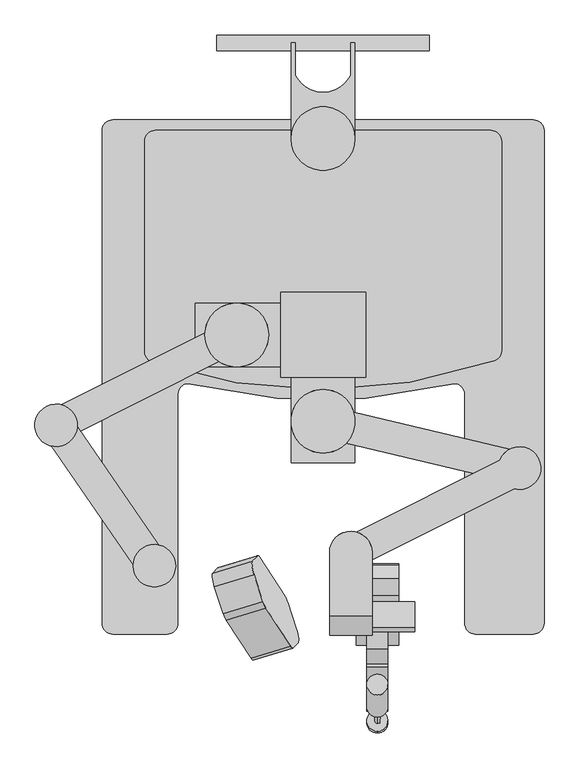
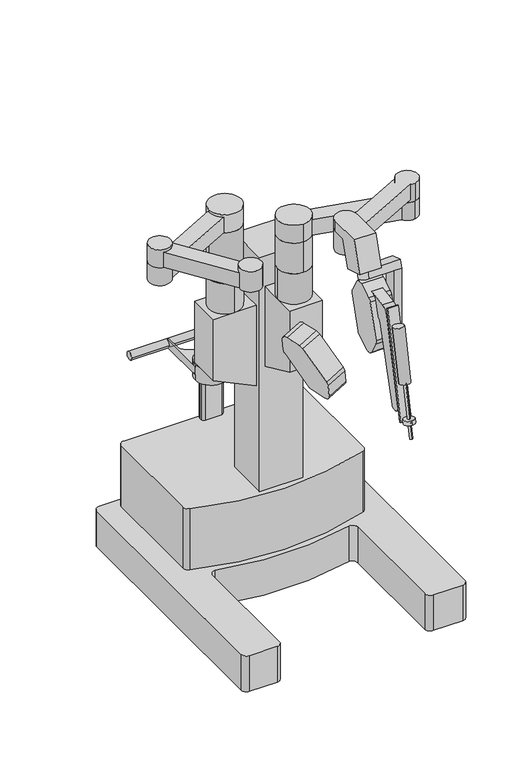
"""IFC4 building model written with IfcOpenShell, lengths in millimetres: proxy geometry."""

from ifc_helpers import new_model, si_unit, point, frame, frame_2d, origin, place, context, project, spatial, polyline, circle_curve, trimmed, segment, composite_curve, outline, extrude, source, transform, mapped, element, save
from ifc_brep_helpers import plane_surface, cylinder_surface, revolved_surface, advanced_brep


def generic_models_7fe213d7(model_context):
    return source(origin(), model_context, "Body", "SolidModel", [
        extrude(outline(composite_curve([segment(trimmed(circle_curve(frame_2d((0.0, -25.4)), 25.4), [point((0.0, -50.8))], [point((-17.9605122, -43.3605122))], False, "CARTESIAN"), True, "CONTINUOUS"), segment(polyline([(-17.9605122, -43.3605122), (-65.9198375, 4.5988131)]), True, "CONTINUOUS"), segment(trimmed(circle_curve(frame_2d((-41.932901, 25.4)), 31.75), [point((-65.9198375, 4.5988131))], [point((-65.9198375, 46.201187))], False, "CARTESIAN"), True, "CONTINUOUS"), segment(polyline([(-65.9198375, 46.201187), (-17.9605122, 94.1605123)]), True, "CONTINUOUS"), segment(trimmed(circle_curve(frame_2d((1e-07, 76.2)), 25.4), [point((-17.9605122, 94.1605123))], [point((1e-07, 101.6))], False, "CARTESIAN"), True, "CONTINUOUS"), segment(polyline([(1e-07, 101.6), (170.1341979, 101.6)]), True, "CONTINUOUS"), segment(trimmed(circle_curve(frame_2d((170.1341979, 76.2)), 25.4), [point((170.1341979, 101.6))], [point((188.0947101, 94.1605122))], False, "CARTESIAN"), True, "CONTINUOUS"), segment(polyline([(188.0947101, 94.1605122), (236.0540355, 46.2011869)]), True, "CONTINUOUS"), segment(trimmed(circle_curve(frame_2d((212.0670989, 25.4)), 31.75), [point((236.0540355, 46.2011869))], [point((236.0540355, 4.5988131))], False, "CARTESIAN"), True, "CONTINUOUS"), segment(polyline([(236.0540355, 4.5988131), (188.0947102, -43.3605122)]), True, "CONTINUOUS"), segment(trimmed(circle_curve(frame_2d((170.1341979, -25.4)), 25.4), [point((188.0947102, -43.3605122))], [point((170.1341979, -50.8))], False, "CARTESIAN"), True, "CONTINUOUS"), segment(polyline([(170.1341979, -50.8), (0.0, -50.8)]), True, "CONTINUOUS")], self_intersect=False)), frame((-181.6208649, -1205.664516, 1425.891336), z_axis=(0.932439111127, 0.2811235681639768, 0.22699524986978026), x_axis=(-0.34866400070342113, 0.5351822655004296, 0.7694240425846547)), (0.0, 0.0, 1.0), 101.6),
        extrude(outline(composite_curve([segment(trimmed(circle_curve(frame_2d((-403.1925432, -1065.5962165)), 50.8), [point((-362.0944799, -1095.4557073))], [point((-444.2906065, -1035.7367257))], False, "CARTESIAN"), True, "CONTINUOUS"), segment(trimmed(circle_curve(frame_2d((-403.1925432, -1065.5962165)), 50.8), [point((-444.2906065, -1035.7367257))], [point((-362.0944799, -1095.4557073))], False, "CARTESIAN"), True, "CONTINUOUS")], self_intersect=False)), frame((0.0, 0.0, 1917.7), z_axis=(0.0, 0.0, 1.0), x_axis=(1.0, 0.0, 0.0)), (0.0, 0.0, 1.0), 101.6),
        extrude(outline(polyline([(-431.505545, -1094.0018071), (-662.1725606, -759.4069955), (-599.4360334, -716.1569301), (-368.7690178, -1050.7517417), (-431.505545, -1094.0018071)])), frame((0.0, 0.0, 1917.7), z_axis=(0.0, 0.0, 1.0), x_axis=(1.0, 0.0, 0.0)), (0.0, 0.0, 1.0), 76.2),
        extrude(outline(composite_curve([segment(trimmed(circle_curve(frame_2d((-637.8353103, -730.1189055)), 50.8), [point((-676.750368, -697.4652949))], [point((-598.9202526, -762.772516))], False, "CARTESIAN"), True, "CONTINUOUS"), segment(trimmed(circle_curve(frame_2d((-637.8353103, -730.1189055)), 50.8), [point((-598.9202526, -762.772516))], [point((-676.750368, -697.4652949))], False, "CARTESIAN"), True, "CONTINUOUS")], self_intersect=False)), frame((0.0, 0.0, 1917.7), z_axis=(0.0, 0.0, 1.0), x_axis=(1.0, 0.0, 0.0)), (0.0, 0.0, 1.0), 88.9),
        extrude(outline(composite_curve([segment(trimmed(circle_curve(frame_2d((-637.8353103, -730.1189055)), 50.8), [point((-676.750368, -697.4652949))], [point((-598.9202526, -762.772516))], False, "CARTESIAN"), True, "CONTINUOUS"), segment(trimmed(circle_curve(frame_2d((-637.8353103, -730.1189055)), 50.8), [point((-598.9202526, -762.772516))], [point((-676.750368, -697.4652949))], False, "CARTESIAN"), True, "CONTINUOUS")], self_intersect=False)), frame((0.0, 0.0, 1828.8), z_axis=(0.0, 0.0, 1.0), x_axis=(1.0, 0.0, 0.0)), (0.0, 0.0, 1.0), 88.9),
        extrude(outline(polyline([(-240.3446033, -573.7648899), (-603.785805, -755.6204725), (-637.8837267, -687.4752472), (-274.442525, -505.6196646), (-240.3446033, -573.7648899)])), frame((0.0, 0.0, 1828.8), z_axis=(0.0, 0.0, 1.0), x_axis=(1.0, 0.0, 0.0)), (0.0, 0.0, 1.0), 76.2),
        extrude(outline(composite_curve([segment(trimmed(circle_curve(frame_2d((-206.2846452, -514.118836)), 76.2), [point((-130.0846452, -514.118836))], [point((-282.4846452, -514.118836))], False, "CARTESIAN"), True, "CONTINUOUS"), segment(trimmed(circle_curve(frame_2d((-206.2846452, -514.118836)), 76.2), [point((-282.4846452, -514.118836))], [point((-130.0846452, -514.118836))], False, "CARTESIAN"), True, "CONTINUOUS")], self_intersect=False)), frame((0.0, 0.0, 1828.8), z_axis=(0.0, 0.0, 1.0), x_axis=(1.0, 0.0, 0.0)), (0.0, 0.0, 1.0), 88.9),
        extrude(outline(composite_curve([segment(trimmed(circle_curve(frame_2d((-206.2846452, -514.118836)), 76.2), [point((-130.0846452, -514.118836))], [point((-282.4846452, -514.118836))], False, "CARTESIAN"), True, "CONTINUOUS"), segment(trimmed(circle_curve(frame_2d((-206.2846452, -514.118836)), 76.2), [point((-282.4846452, -514.118836))], [point((-130.0846452, -514.118836))], False, "CARTESIAN"), True, "CONTINUOUS")], self_intersect=False)), frame((0.0, 0.0, 1574.8), z_axis=(0.0, 0.0, 1.0), x_axis=(1.0, 0.0, 0.0)), (0.0, 0.0, 1.0), 254.0),
        extrude(outline(composite_curve([segment(trimmed(circle_curve(frame_2d((-206.2846452, -514.118836)), 76.2), [point((-206.2846452, -437.918836))], [point((-206.2846452, -590.318836))], False, "CARTESIAN"), True, "CONTINUOUS"), segment(trimmed(circle_curve(frame_2d((-206.2846452, -514.118836)), 76.2), [point((-206.2846452, -590.318836))], [point((-206.2846452, -437.918836))], False, "CARTESIAN"), True, "CONTINUOUS")], self_intersect=False)), frame((0.0, 0.0, 1422.4), z_axis=(0.0, 0.0, 1.0), x_axis=(1.0, 0.0, 0.0)), (0.0, 0.0, 1.0), 152.4),
        extrude(outline(polyline([(1022.8462839, -101.6), (1422.4, -101.6), (1422.4, -304.8), (1117.6, -304.8), (1022.8462839, -101.6)])), frame((0.0, -590.318836, 0.0), z_axis=(0.0, 1.0, 0.0), x_axis=(0.0, 0.0, 1.0)), (0.0, 0.0, 1.0), 152.4),
        extrude(outline(composite_curve([segment(trimmed(circle_curve(frame_2d((0.0, -25.4)), 25.4), [point((0.0, -50.8))], [point((0.0, 0.0))], False, "CARTESIAN"), True, "CONTINUOUS"), segment(trimmed(circle_curve(frame_2d((0.0, -25.4)), 25.4), [point((0.0, 0.0))], [point((0.0, -50.8))], False, "CARTESIAN"), True, "CONTINUOUS")], self_intersect=False)), frame((129.7365742, -1415.3775009, 1264.3160063), z_axis=(0.0, 0.20693885482750907, 0.9783538778799209), x_axis=(1.0, 0.0, 0.0)), (0.0, 0.0, 1.0), 19.05),
        extrude(outline(composite_curve([segment(trimmed(circle_curve(frame_2d((0.0, -6.3500001)), 6.35), [point((0.0, -12.7000001))], [point((0.0, 0.0))], False, "CARTESIAN"), True, "CONTINUOUS"), segment(trimmed(circle_curve(frame_2d((0.0, -6.3500001)), 6.35), [point((0.0, 0.0))], [point((0.0, -12.7000001))], False, "CARTESIAN"), True, "CONTINUOUS")], self_intersect=False)), frame((129.7365742, -1448.4698213, 1199.9201731), z_axis=(0.0, 0.2069388548275091, 0.9783538778799209), x_axis=(1.0, 0.0, 0.0)), (0.0, 0.0, 1.0), 254.0),
        extrude(outline(composite_curve([segment(trimmed(circle_curve(frame_2d((0.0, -25.4)), 25.4), [point((0.0, -50.8))], [point((0.0, 0.0))], False, "CARTESIAN"), True, "CONTINUOUS"), segment(trimmed(circle_curve(frame_2d((0.0, -25.4)), 25.4), [point((0.0, 0.0))], [point((0.0, -50.8))], False, "CARTESIAN"), True, "CONTINUOUS")], self_intersect=False)), frame((155.1365742, -1402.1198993, 1449.7361198), z_axis=(0.0, 0.2069388548275091, 0.9783538778799209), x_axis=(0.0, -0.9783538778799209, 0.2069388548275091)), (0.0, 0.0, 1.0), 254.0),
        extrude(outline(polyline([(0.0, -6.3500001), (0.0, 0.0), (50.8, 0.0), (50.8, -6.3500001), (0.0, -6.3500001)])), frame((104.3365742, -1406.8352486, 1262.5091714), z_axis=(0.0, 0.2069388548275039, 0.978353877879922), x_axis=(1.0, 0.0, 0.0)), (0.0, 0.0, 1.0), 514.35),
        extrude(outline(composite_curve([segment(trimmed(circle_curve(frame_2d((-1365.7731526, 1323.1084102)), 25.4), [point((-1342.9051101, 1312.053428))], [point((-1390.5365961, 1328.7592391))], False, "CARTESIAN"), True, "CONTINUOUS"), segment(polyline([(-1390.5365961, 1328.7592391), (-1299.2440977, 1728.8273856)]), True, "CONTINUOUS"), segment(trimmed(circle_curve(frame_2d((-1256.2971959, 1717.3658794)), 44.45), [point((-1299.2440977, 1728.8273856))], [point((-1263.6772126, 1761.1989474))], False, "CARTESIAN"), True, "CONTINUOUS"), segment(polyline([(-1263.6772126, 1761.1989474), (-1139.7232414, 1782.0686335)]), True, "CONTINUOUS"), segment(trimmed(circle_curve(frame_2d((-1136.7330376, 1737.7193248)), 44.45), [point((-1139.7232414, 1782.0686335))], [point((-1119.5219759, 1696.7366229))], False, "CARTESIAN"), True, "CONTINUOUS"), segment(polyline([(-1119.5219759, 1696.7366229), (-1223.9307505, 1679.1576916)]), True, "CONTINUOUS"), segment(trimmed(circle_curve(frame_2d((-1219.7135981, 1654.1102241)), 25.4), [point((-1223.9307505, 1679.1576916))], [point((-1244.1539012, 1661.0262624))], True, "CARTESIAN"), True, "CONTINUOUS"), segment(polyline([(-1244.1539012, 1661.0262624), (-1342.9051101, 1312.053428)]), True, "CONTINUOUS")], self_intersect=False)), frame((104.3365742, 0.0, 0.0), z_axis=(1.0, 0.0, 0.0), x_axis=(0.0, 1.0, 0.0)), (0.0, 0.0, 1.0), 50.8),
        extrude(outline(composite_curve([segment(trimmed(circle_curve(frame_2d((-1132.9983461, 1551.6934379)), 25.4), [point((-1108.582299, 1544.6922491))], [point((-1120.6841817, 1529.4780974))], False, "CARTESIAN"), True, "CONTINUOUS"), segment(polyline([(-1120.6841817, 1529.4780974), (-1180.0050257, 1496.5960166)]), True, "CONTINUOUS"), segment(trimmed(circle_curve(frame_2d((-1193.3887142, 1525.387324)), 31.75), [point((-1180.0050257, 1496.5960166))], [point((-1219.9957941, 1508.0631849))], False, "CARTESIAN"), True, "CONTINUOUS"), segment(polyline([(-1219.9957941, 1508.0631849), (-1252.8778749, 1567.3840289)]), True, "CONTINUOUS"), segment(trimmed(circle_curve(frame_2d((-1230.6625344, 1579.6981933)), 25.4), [point((-1252.8778749, 1567.3840289))], [point((-1255.0785814, 1586.6993821))], False, "CARTESIAN"), True, "CONTINUOUS"), segment(polyline([(-1255.0785814, 1586.6993821), (-1208.183241, 1750.2428697)]), True, "CONTINUOUS"), segment(trimmed(circle_curve(frame_2d((-1183.7671939, 1743.2416808)), 25.4), [point((-1208.183241, 1750.2428697))], [point((-1196.0813583, 1765.4570214))], False, "CARTESIAN"), True, "CONTINUOUS"), segment(polyline([(-1196.0813583, 1765.4570214), (-1136.7605143, 1798.3391022)]), True, "CONTINUOUS"), segment(trimmed(circle_curve(frame_2d((-1123.3768258, 1769.5477948)), 31.75), [point((-1136.7605143, 1798.3391022))], [point((-1096.7697458, 1786.8719339))], False, "CARTESIAN"), True, "CONTINUOUS"), segment(polyline([(-1096.7697458, 1786.8719339), (-1063.8876651, 1727.5510899)]), True, "CONTINUOUS"), segment(trimmed(circle_curve(frame_2d((-1086.1030056, 1715.2369255)), 25.4), [point((-1063.8876651, 1727.5510899))], [point((-1061.6869585, 1708.2357367))], False, "CARTESIAN"), True, "CONTINUOUS"), segment(polyline([(-1061.6869585, 1708.2357367), (-1108.582299, 1544.6922491)]), True, "CONTINUOUS")], self_intersect=False)), frame((78.9365742, 0.0, 0.0), z_axis=(1.0, 0.0, 0.0), x_axis=(0.0, 1.0, 0.0)), (0.0, 0.0, 1.0), 101.6),
        advanced_brep(
        [(180.5365742, -1223.7513902, 1524.0), (180.5365742, -1223.7513902, 1880.2388089), (180.5365742, -1163.0260382, 1861.6732057), (180.5365742, -1163.0260382, 1524.0), (218.6365742, -1223.7513902, 1524.0), (218.6365742, -1163.0260382, 1524.0), (218.6365742, -1163.0260382, 1861.6732057), (218.6365742, -1151.8866762, 1898.1084169), (218.6365742, -1212.6120282, 1916.6740201), (218.6365742, -1223.7513902, 1880.2388089), (66.2365742, -1223.7513902, 1880.2388089), (66.2365742, -1163.0260382, 1861.6732057), (66.2365742, -1151.8866762, 1898.1084169), (66.2365742, -1212.6120282, 1916.6740201)],
        [
            (0, 1),
            (1, 2),
            (2, 3),
            (3, 0, circle_curve(frame((180.5365742, -1193.3887142, 1524.0), z_axis=(-1.0, 0.0, 0.0), x_axis=(0.0, 1.0, 0.0)), 30.362676)),
            (4, 5, circle_curve(frame((218.6365742, -1193.3887142, 1524.0), z_axis=(1.0, 0.0, 0.0), x_axis=(0.0, 1.0, 0.0)), 30.362676)),
            (5, 6),
            (6, 7),
            (7, 8),
            (8, 9),
            (9, 4),
            (3, 5),
            (4, 0),
            (2, 6),
            (9, 1),
            (10, 11, circle_curve(frame((66.2365742, -1193.3887142, 1870.9560073), z_axis=(0.0, -0.2923717047227354, -0.9563047559630359), x_axis=(0.0, -0.9563047559630359, 0.2923717047227354)), 31.75)),
            (11, 2),
            (1, 10),
            (12, 13, circle_curve(frame((66.2365742, -1182.2493522, 1907.3912185), z_axis=(0.0, 0.2923717047227354, 0.9563047559630359), x_axis=(0.0, -0.9563047559630359, 0.2923717047227354)), 31.75)),
            (13, 8),
            (7, 12),
            (11, 12),
            (13, 10),
        ],
        [
            plane_surface(frame((180.5365742, -1163.0260382, 1524.0), z_axis=(-1.0, 0.0, 0.0), x_axis=(0.0, 0.0, -1.0))),
            plane_surface(frame((218.6365742, -1163.0260382, 1524.0), z_axis=(1.0, 0.0, 0.0), x_axis=(0.0, 0.0, 1.0))),
            cylinder_surface(frame((180.5365742, -1193.3887142, 1524.0), z_axis=(1.0, 0.0, 0.0), x_axis=(0.0, 1.0, 0.0)), 30.362676),
            plane_surface(frame((218.6365742, -1163.0260382, 1524.0), z_axis=(0.0, 1.0, 0.0), x_axis=(-1.0, 0.0, 0.0))),
            plane_surface(frame((218.6365742, -1223.7513902, 1880.2388089), z_axis=(0.0, -1.0, 0.0), x_axis=(-1.0, 0.0, 0.0))),
            plane_surface(frame((66.2365742, -1163.0260382, 1861.6732057), z_axis=(0.0, -0.2923717047227354, -0.9563047559630359), x_axis=(1.0, 0.0, 0.0))),
            plane_surface(frame((66.2365742, -1151.8866762, 1898.1084169), z_axis=(0.0, 0.2923717047227354, 0.9563047559630359), x_axis=(-1.0, 0.0, 0.0))),
            plane_surface(frame((66.2365742, -1163.0260382, 1861.6732057), z_axis=(0.0, 0.956304755963036, -0.2923717047227354), x_axis=(0.0, 0.2923717047227354, 0.956304755963036))),
            plane_surface(frame((218.6365742, -1223.7513902, 1880.2388089), z_axis=(0.0, -0.956304755963037, 0.2923717047227321), x_axis=(0.0, 0.2923717047227321, 0.956304755963037))),
            cylinder_surface(frame((66.2365742, -1182.2493522, 1907.3912185), z_axis=(0.0, -0.2923717047227354, -0.9563047559630359), x_axis=(0.0, -0.9563047559630359, 0.2923717047227354)), 31.75),
        ],
        [
            (0, [[1, 2, 3, 4]]),
            (1, [[5, 6, 7, 8, 9, 10]]),
            (2, [[-4, 11, -5, 12]]),
            (3, [[-3, 13, -6, -11]]),
            (4, [[-1, -12, -10, 14]]),
            (5, [[15, 16, -2, 17]]),
            (6, [[18, 19, -8, 20]]),
            (7, [[-20, -7, -13, -16, 21]]),
            (8, [[-19, 22, -17, -14, -9]]),
            (9, [[-15, -22, -18, -21]]),
        ],
    ),
        advanced_brep(
        [(15.4365742, -1231.6105037, 1922.482437), (15.4365742, -1186.4792856, 2070.1), (15.4365742, -1034.0792856, 2070.1), (15.4365742, -1034.0792856, 2019.3), (15.4365742, -1094.0604042, 2019.3), (15.4365742, -1132.8882007, 1892.3), (117.0365742, -1231.6105037, 1922.482437), (117.0365742, -1132.8882007, 1892.3), (117.0365742, -1094.0604042, 2019.3), (117.0365742, -1034.0792856, 2019.3), (117.0365742, -1034.0792856, 2070.1), (117.0365742, -1186.4792856, 2070.1), (57.4152467, -984.0510517, 2070.1), (57.4152467, -984.0510517, 2019.3)],
        [
            (0, 1),
            (1, 2),
            (2, 3),
            (3, 4),
            (4, 5),
            (5, 0),
            (6, 7),
            (7, 8),
            (8, 9),
            (9, 10),
            (10, 11),
            (11, 6),
            (0, 6),
            (11, 1),
            (7, 5),
            (4, 8),
            (10, 12, circle_curve(frame((66.2365742, -1034.0792856, 2070.1), z_axis=(0.0, 0.0, 1.0), x_axis=(-0.1736481776669283, 0.9848077530122085, 0.0)), 50.8)),
            (12, 2, circle_curve(frame((66.2365742, -1034.0792856, 2070.1), z_axis=(0.0, 0.0, 1.0), x_axis=(-0.1736481776669283, 0.9848077530122085, 0.0)), 50.8)),
            (3, 13, circle_curve(frame((66.2365742, -1034.0792856, 2019.3), z_axis=(0.0, 0.0, -1.0), x_axis=(-0.1736481776669283, 0.9848077530122085, 0.0)), 50.8)),
            (13, 9, circle_curve(frame((66.2365742, -1034.0792856, 2019.3), z_axis=(0.0, 0.0, -1.0), x_axis=(-0.1736481776669283, 0.9848077530122085, 0.0)), 50.8)),
            (13, 12),
        ],
        [
            plane_surface(frame((15.4365742, -1132.8882007, 1892.3), z_axis=(-1.0, 0.0, 0.0), x_axis=(0.0, -0.956304755963036, 0.29237170472273505))),
            plane_surface(frame((117.0365742, -1132.8882007, 1892.3), z_axis=(1.0, 0.0, 0.0), x_axis=(0.0, 0.956304755963036, -0.29237170472273505))),
            plane_surface(frame((117.0365742, -1186.4792856, 2070.1), z_axis=(0.0, -0.9563047559630353, 0.2923717047227372), x_axis=(-1.0, 0.0, 0.0))),
            plane_surface(frame((117.0365742, -1132.8882007, 1892.3), z_axis=(0.0, 0.9563047559630353, -0.2923717047227372), x_axis=(-1.0, 0.0, 0.0))),
            plane_surface(frame((117.0365742, -1231.6105037, 1922.482437), z_axis=(0.0, -0.29237170472273505, -0.956304755963036), x_axis=(-1.0, 0.0, 0.0))),
            plane_surface(frame((15.4365742, -1034.0792856, 2070.1), z_axis=(0.0, 0.0, 1.0), x_axis=(0.0, -1.0, 0.0))),
            plane_surface(frame((15.4365742, -1034.0792856, 2019.3), z_axis=(0.0, 0.0, -1.0), x_axis=(0.0, 1.0, 0.0))),
            cylinder_surface(frame((66.2365742, -1034.0792856, 2019.3), z_axis=(0.0, 0.0, 1.0), x_axis=(-0.1736481776669283, 0.9848077530122085, 0.0)), 50.8),
        ],
        [
            (0, [[1, 2, 3, 4, 5, 6]]),
            (1, [[7, 8, 9, 10, 11, 12]]),
            (2, [[-1, 13, -12, 14]]),
            (3, [[15, -5, 16, -8]]),
            (4, [[-6, -15, -7, -13]]),
            (5, [[-2, -14, -11, 17, 18]]),
            (6, [[19, 20, -9, -16, -4]]),
            (7, [[-17, -10, -20, 21]]),
            (7, [[-18, -21, -19, -3]]),
        ],
    ),
        advanced_brep(
        [(422.298418, -813.377157, 1930.4), (456.5132495, -881.463884, 1930.4), (113.3019942, -1053.19698, 1930.4), (79.3209823, -984.9932564, 1930.4), (478.2504847, -882.3614825, 2006.6), (460.6078299, -782.3050148, 2006.6), (422.298418, -813.377157, 2006.6), (79.3209823, -984.9932564, 2006.6), (113.3019942, -1053.19698, 2006.6), (456.5132495, -881.463884, 2006.6), (478.2504847, -882.3614825, 1917.7), (460.6078299, -782.3050148, 1917.7), (75.0579016, -1084.1075194, 2019.3), (57.4152467, -984.0510517, 2019.3), (75.0579016, -1084.1075194, 1917.7), (57.4152467, -984.0510517, 1917.7)],
        [
            (0, 1, circle_curve(frame((469.4291573, -832.3332487, 1930.4), z_axis=(0.0, 0.0, 1.0), x_axis=(-0.1736481776669283, 0.9848077530122085, 0.0)), 50.8)),
            (1, 2),
            (2, 3, circle_curve(frame((66.2365742, -1034.0792856, 1930.4), z_axis=(0.0, 0.0, 1.0), x_axis=(-0.1736481776669283, 0.9848077530122085, 0.0)), 50.8)),
            (3, 0),
            (4, 5, circle_curve(frame((469.4291573, -832.3332487, 2006.6), z_axis=(0.0, 0.0, 1.0), x_axis=(-0.1736481776669283, 0.9848077530122085, 0.0)), 50.8)),
            (5, 6, circle_curve(frame((469.4291573, -832.3332487, 2006.6), z_axis=(0.0, 0.0, 1.0), x_axis=(-0.1736481776669283, 0.9848077530122085, 0.0)), 50.8)),
            (6, 7),
            (7, 8, circle_curve(frame((66.2365742, -1034.0792856, 2006.6), z_axis=(0.0, 0.0, -1.0), x_axis=(-0.1736481776669283, 0.9848077530122085, 0.0)), 50.8)),
            (8, 9),
            (9, 4, circle_curve(frame((469.4291573, -832.3332487, 2006.6), z_axis=(0.0, 0.0, 1.0), x_axis=(-0.1736481776669283, 0.9848077530122085, 0.0)), 50.8)),
            (1, 9),
            (8, 2),
            (6, 0),
            (3, 7),
            (10, 11, circle_curve(frame((469.4291573, -832.3332487, 1917.7), z_axis=(0.0, 0.0, -1.0), x_axis=(-0.1736481776669283, 0.9848077530122085, 0.0)), 50.8)),
            (11, 10, circle_curve(frame((469.4291573, -832.3332487, 1917.7), z_axis=(0.0, 0.0, -1.0), x_axis=(-0.1736481776669283, 0.9848077530122085, 0.0)), 50.8)),
            (4, 10),
            (11, 5),
            (12, 13, circle_curve(frame((66.2365742, -1034.0792856, 2019.3), z_axis=(0.0, 0.0, 1.0), x_axis=(-0.1736481776669283, 0.9848077530122085, 0.0)), 50.8)),
            (13, 12, circle_curve(frame((66.2365742, -1034.0792856, 2019.3), z_axis=(0.0, 0.0, 1.0), x_axis=(-0.1736481776669283, 0.9848077530122085, 0.0)), 50.8)),
            (14, 15, circle_curve(frame((66.2365742, -1034.0792856, 1917.7), z_axis=(0.0, 0.0, -1.0), x_axis=(-0.1736481776669283, 0.9848077530122085, 0.0)), 50.8)),
            (15, 14, circle_curve(frame((66.2365742, -1034.0792856, 1917.7), z_axis=(0.0, 0.0, -1.0), x_axis=(-0.1736481776669283, 0.9848077530122085, 0.0)), 50.8)),
            (12, 14),
            (15, 13),
        ],
        [
            plane_surface(frame((71.9384503, -988.6872642, 1930.4), z_axis=(0.0, 0.0, -1.0), x_axis=(0.8942942954913954, 0.44747928784643076, 0.0))),
            plane_surface(frame((71.9384503, -988.6872642, 2006.6), z_axis=(0.0, 0.0, 1.0), x_axis=(-0.8942942954913954, -0.44747928784643076, 0.0))),
            plane_surface(frame((469.4775737, -874.9769069, 1930.4), z_axis=(0.4474792878464305, -0.8942942954913956, 0.0), x_axis=(0.0, 0.0, 1.0))),
            plane_surface(frame((71.9384503, -988.6872642, 1930.4), z_axis=(-0.44747928784643076, 0.8942942954913954, 0.0), x_axis=(0.0, 0.0, 1.0))),
            plane_surface(frame((460.6078299, -782.3050148, 1917.7), z_axis=(0.0, 0.0, -1.0), x_axis=(0.9848077530122085, 0.17364817766692833, 0.0))),
            cylinder_surface(frame((469.4291573, -832.3332487, 1917.7), z_axis=(0.0, 0.0, 1.0), x_axis=(-0.1736481776669283, 0.9848077530122085, 0.0)), 50.8),
            plane_surface(frame((57.4152467, -984.0510517, 2019.3), z_axis=(0.0, 0.0, 1.0), x_axis=(-0.9848077530122085, -0.17364817766692833, 0.0))),
            plane_surface(frame((57.4152467, -984.0510517, 1917.7), z_axis=(0.0, 0.0, -1.0), x_axis=(0.9848077530122085, 0.17364817766692833, 0.0))),
            cylinder_surface(frame((66.2365742, -1034.0792856, 1917.7), z_axis=(0.0, 0.0, 1.0), x_axis=(-0.1736481776669283, 0.9848077530122085, 0.0)), 50.8),
        ],
        [
            (0, [[1, 2, 3, 4]]),
            (1, [[5, 6, 7, 8, 9, 10]]),
            (2, [[11, -9, 12, -2]]),
            (3, [[13, -4, 14, -7]]),
            (4, [[15, 16]]),
            (5, [[-5, 17, -16, 18]]),
            (5, [[-15, -17, -10, -11, -1, -13, -6, -18]]),
            (6, [[19, 20]]),
            (7, [[21, 22]]),
            (8, [[-19, 23, -22, 24], [-3, -12, -8, -14]]),
            (8, [[-20, -24, -21, -23]]),
        ],
    ),
        advanced_brep(
        [(0.0, -644.2034811, 1917.7), (0.0, -796.6034811, 1917.7), (0.0, -796.6034811, 1828.8), (0.0, -644.2034811, 1828.8), (73.0309882, -698.6568777, 1828.8), (445.5096572, -787.5169847, 1828.8), (460.6078299, -782.3050148, 1828.8), (478.2504847, -882.3614825, 1828.8), (427.9544343, -861.6673134, 1828.8), (55.3486052, -772.7768704, 1828.8), (55.3486052, -772.7768704, 1905.0), (73.0309882, -698.6568777, 1905.0), (427.9544343, -861.6673134, 1905.0), (445.5096572, -787.5169847, 1905.0), (478.2504847, -882.3614825, 1917.7), (460.6078299, -782.3050148, 1917.7)],
        [
            (0, 1, circle_curve(frame((0.0, -720.4034811, 1917.7), z_axis=(0.0, 0.0, 1.0), x_axis=(0.0, -1.0, 0.0)), 76.2)),
            (1, 0, circle_curve(frame((0.0, -720.4034811, 1917.7), z_axis=(0.0, 0.0, 1.0), x_axis=(0.0, -1.0, 0.0)), 76.2)),
            (2, 3, circle_curve(frame((0.0, -720.4034811, 1828.8), z_axis=(0.0, 0.0, -1.0), x_axis=(0.0, -1.0, 0.0)), 76.2)),
            (3, 4, circle_curve(frame((0.0, -720.4034811, 1828.8), z_axis=(0.0, 0.0, -1.0), x_axis=(0.0, -1.0, 0.0)), 76.2)),
            (4, 5),
            (5, 6, circle_curve(frame((469.4291573, -832.3332487, 1828.8), z_axis=(0.0, 0.0, -1.0), x_axis=(-0.1736481776669283, 0.9848077530122085, 0.0)), 50.8)),
            (6, 7, circle_curve(frame((469.4291573, -832.3332487, 1828.8), z_axis=(0.0, 0.0, -1.0), x_axis=(-0.1736481776669283, 0.9848077530122085, 0.0)), 50.8)),
            (7, 8, circle_curve(frame((469.4291573, -832.3332487, 1828.8), z_axis=(0.0, 0.0, -1.0), x_axis=(-0.1736481776669283, 0.9848077530122085, 0.0)), 50.8)),
            (8, 9),
            (9, 2, circle_curve(frame((0.0, -720.4034811, 1828.8), z_axis=(0.0, 0.0, -1.0), x_axis=(0.0, -1.0, 0.0)), 76.2)),
            (0, 3),
            (2, 1),
            (9, 10),
            (10, 11, circle_curve(frame((0.0, -720.4034811, 1905.0), z_axis=(0.0, 0.0, 1.0), x_axis=(0.0, -1.0, 0.0)), 76.2)),
            (11, 4),
            (10, 12),
            (12, 13, circle_curve(frame((469.4291573, -832.3332487, 1905.0), z_axis=(0.0, 0.0, -1.0), x_axis=(-0.1736481776669283, 0.9848077530122085, 0.0)), 50.8)),
            (13, 11),
            (8, 12),
            (13, 5),
            (14, 15, circle_curve(frame((469.4291573, -832.3332487, 1917.7), z_axis=(0.0, 0.0, 1.0), x_axis=(-0.1736481776669283, 0.9848077530122085, 0.0)), 50.8)),
            (15, 14, circle_curve(frame((469.4291573, -832.3332487, 1917.7), z_axis=(0.0, 0.0, 1.0), x_axis=(-0.1736481776669283, 0.9848077530122085, 0.0)), 50.8)),
            (14, 7),
            (6, 15),
        ],
        [
            plane_surface(frame((0.0, -796.6034811, 1917.7), z_axis=(0.0, 0.0, 1.0), x_axis=(1.0, 0.0, 0.0))),
            plane_surface(frame((0.0, -796.6034811, 1828.8), z_axis=(0.0, 0.0, -1.0), x_axis=(-1.0, 0.0, 0.0))),
            cylinder_surface(frame((0.0, -720.4034811, 1828.8), z_axis=(0.0, 0.0, 1.0), x_axis=(0.0, -1.0, 0.0)), 76.2),
            plane_surface(frame((37.9076116, -807.7852612, 1905.0), z_axis=(0.0, 0.0, 1.0000000000000002), x_axis=(-0.23205227068959666, -0.9727033173932339, 0.0))),
            plane_surface(frame((46.7488031, -770.7252648, 1905.0), z_axis=(-0.232052270689625, -0.972703317393227, 0.0), x_axis=(0.0, 0.0, -1.0))),
            plane_surface(frame((459.7378143, -790.9113148, 1905.0), z_axis=(0.23205227068962528, 0.972703317393227, 0.0), x_axis=(0.0, 0.0, -1.0))),
            plane_surface(frame((460.6078299, -782.3050148, 1917.7), z_axis=(0.0, 0.0, 1.0), x_axis=(-0.9848077530122085, -0.17364817766692833, 0.0))),
            cylinder_surface(frame((469.4291573, -832.3332487, 1828.8), z_axis=(0.0, 0.0, 1.0), x_axis=(-0.1736481776669283, 0.9848077530122085, 0.0)), 50.8),
        ],
        [
            (0, [[1, 2]]),
            (1, [[3, 4, 5, 6, 7, 8, 9, 10]]),
            (2, [[-1, 11, -3, 12]]),
            (2, [[-2, -12, -10, 13, 14, 15, -4, -11]]),
            (3, [[-14, 16, 17, 18]]),
            (4, [[-13, -9, 19, -16]]),
            (5, [[-15, -18, 20, -5]]),
            (6, [[21, 22]]),
            (7, [[-21, 23, -7, 24]]),
            (7, [[-22, -24, -6, -20, -17, -19, -8, -23]]),
        ],
    ),
        extrude(outline(composite_curve([segment(trimmed(circle_curve(frame_2d((0.0, -720.4034811)), 76.2), [point((0.0, -644.2034811))], [point((0.0, -796.6034811))], False, "CARTESIAN"), True, "CONTINUOUS"), segment(trimmed(circle_curve(frame_2d((0.0, -720.4034811)), 76.2), [point((0.0, -796.6034811))], [point((0.0, -644.2034811))], False, "CARTESIAN"), True, "CONTINUOUS")], self_intersect=False)), frame((0.0, 0.0, 1676.4), z_axis=(0.0, 0.0, 1.0), x_axis=(1.0, 0.0, 0.0)), (0.0, 0.0, 1.0), 152.4),
        extrude(outline(composite_curve([segment(trimmed(circle_curve(frame_2d((0.0, -720.4034811)), 76.2), [point((-76.2, -720.4034811))], [point((76.2, -720.4034811))], False, "CARTESIAN"), True, "CONTINUOUS"), segment(trimmed(circle_curve(frame_2d((0.0, -720.4034811)), 76.2), [point((76.2, -720.4034811))], [point((-76.2, -720.4034811))], False, "CARTESIAN"), True, "CONTINUOUS")], self_intersect=False)), frame((0.0, 0.0, 1524.0), z_axis=(0.0, 0.0, 1.0), x_axis=(1.0, 0.0, 0.0)), (0.0, 0.0, 1.0), 152.4),
        extrude(outline(polyline([(-615.718836, 1124.4462839), (-818.918836, 1219.2), (-818.918836, 1524.0), (-615.718836, 1524.0), (-615.718836, 1124.4462839)])), frame((-76.2, 0.0, 0.0), z_axis=(1.0, 0.0, 0.0), x_axis=(0.0, 1.0, 0.0)), (0.0, 0.0, 1.0), 152.4),
        advanced_brep(
        [(-76.2, -45.0218958, 787.4), (76.2, -45.0218958, 787.4), (-76.2, -45.0218958, 711.2), (76.2, -45.0218958, 711.2), (-76.2, -45.0218958, 774.7), (-76.2, -45.0218958, 736.6), (76.2, -45.0218958, 736.6), (76.2, -45.0218958, 774.7), (76.2, 183.5781042, 774.7), (66.3596999, 183.5781042, 774.7), (66.3596999, 113.9851321, 774.7), (62.3523626, 100.2915576, 774.7), (-62.9829628, 100.2915576, 774.7), (-66.9903001, 113.9851321, 774.7), (-66.9903001, 183.5781042, 774.7), (-76.2, 183.5781042, 774.7), (-76.2, 183.5781042, 736.6), (-66.9903001, 183.5781042, 736.6), (-66.9903001, 113.9851321, 736.6), (-62.9829628, 100.2915576, 736.6), (62.3523626, 100.2915576, 736.6), (66.3596999, 113.9851321, 736.6), (66.3596999, 183.5781042, 736.6), (76.2, 183.5781042, 736.6), (76.2, 164.5281042, 755.65), (-76.2, 164.5281042, 755.65), (66.3596999, 164.5281042, 755.65), (-66.9903001, 164.5281042, 755.65), (254.0, 164.5281042, 755.65), (254.0, 202.6281042, 755.65), (-254.0, 164.5281042, 755.65), (-254.0, 202.6281042, 755.65)],
        [
            (0, 1, circle_curve(frame((0.0, -45.0218958, 787.4), z_axis=(0.0, 0.0, 1.0), x_axis=(1.0, 0.0, 0.0)), 76.2)),
            (1, 0, circle_curve(frame((0.0, -45.0218958, 787.4), z_axis=(0.0, 0.0, 1.0), x_axis=(1.0, 0.0, 0.0)), 76.2)),
            (2, 3, circle_curve(frame((0.0, -45.0218958, 711.2), z_axis=(0.0, 0.0, -1.0), x_axis=(1.0, 0.0, 0.0)), 76.2)),
            (3, 2, circle_curve(frame((0.0, -45.0218958, 711.2), z_axis=(0.0, 0.0, -1.0), x_axis=(1.0, 0.0, 0.0)), 76.2)),
            (0, 4),
            (4, 5),
            (5, 2),
            (3, 6),
            (6, 7),
            (7, 1),
            (7, 4, circle_curve(frame((0.0, -45.0218958, 774.7), z_axis=(0.0, 0.0, 1.0), x_axis=(1.0, 0.0, 0.0)), 76.2)),
            (5, 6, circle_curve(frame((0.0, -45.0218958, 736.6), z_axis=(0.0, 0.0, -1.0), x_axis=(1.0, 0.0, 0.0)), 76.2)),
            (7, 8),
            (8, 9),
            (9, 10),
            (10, 11, circle_curve(frame((40.9596999, 113.9851321, 774.7), z_axis=(0.0, 0.0, -1.0), x_axis=(1.0, 0.0, 0.0)), 25.4)),
            (11, 12, circle_curve(frame((-0.3153001, 140.4055125, 774.7), z_axis=(0.0, 0.0, -1.0), x_axis=(1.0, 0.0, 0.0)), 74.4067559)),
            (12, 13, circle_curve(frame((-41.5903001, 113.9851321, 774.7), z_axis=(0.0, 0.0, -1.0), x_axis=(1.0, 0.0, 0.0)), 25.4)),
            (13, 14),
            (14, 15),
            (15, 4),
            (5, 16),
            (16, 17),
            (17, 18),
            (18, 19, circle_curve(frame((-41.5903001, 113.9851321, 736.6), z_axis=(0.0, 0.0, 1.0), x_axis=(1.0, 0.0, 0.0)), 25.4)),
            (19, 20, circle_curve(frame((-0.3153001, 140.4055125, 736.6), z_axis=(0.0, 0.0, 1.0), x_axis=(1.0, 0.0, 0.0)), 74.4067559)),
            (20, 21, circle_curve(frame((40.9596999, 113.9851321, 736.6), z_axis=(0.0, 0.0, 1.0), x_axis=(1.0, 0.0, 0.0)), 25.4)),
            (21, 22),
            (22, 23),
            (23, 6),
            (23, 24, circle_curve(frame((76.2, 183.5781042, 755.65), z_axis=(-1.0, 0.0, 0.0), x_axis=(0.0, 1.0, 0.0)), 19.05)),
            (24, 8, circle_curve(frame((76.2, 183.5781042, 755.65), z_axis=(-1.0, 0.0, 0.0), x_axis=(0.0, 1.0, 0.0)), 19.05)),
            (15, 25, circle_curve(frame((-76.2, 183.5781042, 755.65), z_axis=(1.0, 0.0, 0.0), x_axis=(0.0, 1.0, 0.0)), 19.05)),
            (25, 16, circle_curve(frame((-76.2, 183.5781042, 755.65), z_axis=(1.0, 0.0, 0.0), x_axis=(0.0, 1.0, 0.0)), 19.05)),
            (21, 10),
            (9, 26, circle_curve(frame((66.3596999, 183.5781042, 755.65), z_axis=(1.0, 0.0, 0.0), x_axis=(0.0, 1.0, 0.0)), 19.05)),
            (26, 22, circle_curve(frame((66.3596999, 183.5781042, 755.65), z_axis=(1.0, 0.0, 0.0), x_axis=(0.0, 1.0, 0.0)), 19.05)),
            (20, 11),
            (19, 12),
            (18, 13),
            (17, 27, circle_curve(frame((-66.9903001, 183.5781042, 755.65), z_axis=(-1.0, 0.0, 0.0), x_axis=(0.0, 1.0, 0.0)), 19.05)),
            (27, 14, circle_curve(frame((-66.9903001, 183.5781042, 755.65), z_axis=(-1.0, 0.0, 0.0), x_axis=(0.0, 1.0, 0.0)), 19.05)),
            (28, 29, circle_curve(frame((254.0, 183.5781042, 755.65), z_axis=(1.0, 0.0, 0.0), x_axis=(0.0, 1.0, 0.0)), 19.05)),
            (29, 28, circle_curve(frame((254.0, 183.5781042, 755.65), z_axis=(1.0, 0.0, 0.0), x_axis=(0.0, 1.0, 0.0)), 19.05)),
            (30, 31, circle_curve(frame((-254.0, 183.5781042, 755.65), z_axis=(-1.0, 0.0, 0.0), x_axis=(0.0, 1.0, 0.0)), 19.05)),
            (31, 30, circle_curve(frame((-254.0, 183.5781042, 755.65), z_axis=(-1.0, 0.0, 0.0), x_axis=(0.0, 1.0, 0.0)), 19.05)),
            (28, 24),
            (26, 27),
            (25, 30),
            (31, 29),
        ],
        [
            plane_surface(frame((76.2, -45.0218958, 787.4), z_axis=(0.0, 0.0, 1.0), x_axis=(0.0, 1.0, 0.0))),
            plane_surface(frame((76.2, -45.0218958, 711.2), z_axis=(0.0, 0.0, -1.0), x_axis=(0.0, -1.0, 0.0))),
            cylinder_surface(frame((0.0, -45.0218958, 711.2), z_axis=(0.0, 0.0, 1.0), x_axis=(1.0, 0.0, 0.0)), 76.2),
            plane_surface(frame((76.2, -45.0218958, 774.7), z_axis=(0.0, 0.0, 1.0), x_axis=(0.0, 1.0, 0.0))),
            plane_surface(frame((76.2, -45.0218958, 736.6), z_axis=(0.0, 0.0, -1.0), x_axis=(0.0, -1.0, 0.0))),
            plane_surface(frame((76.2, -45.0218958, 774.7), z_axis=(1.0, 0.0, 0.0), x_axis=(0.0, 0.0, -1.0))),
            plane_surface(frame((-76.2, 183.5781042, 774.7), z_axis=(-1.0, 0.0, 0.0), x_axis=(0.0, 0.0, -1.0))),
            plane_surface(frame((66.3596999, 183.5781042, 736.6), z_axis=(-1.0, 0.0, 0.0), x_axis=(0.0, 0.0, 1.0))),
            revolved_surface(polyline([(66.3596999, 113.9851321, 736.6), (66.3596999, 113.9851321, 774.7)]), (40.9596999, 113.9851321, 774.7), (0.0, 0.0, -1.0)),
            revolved_surface(polyline([(74.09145579999999, 140.4055125, 736.6), (74.09145579999999, 140.4055125, 774.7)]), (-0.3153001, 140.4055125, 774.7), (0.0, 0.0, -1.0)),
            revolved_surface(polyline([(-16.1903001, 113.9851321, 736.6), (-16.1903001, 113.9851321, 774.7)]), (-41.5903001, 113.9851321, 774.7), (0.0, 0.0, -1.0)),
            plane_surface(frame((-66.9903001, 113.9851321, 736.6), z_axis=(1.0, 0.0, 0.0), x_axis=(0.0, 0.0, 1.0))),
            plane_surface(frame((254.0, 202.6281042, 755.65), z_axis=(1.0, 0.0, 0.0), x_axis=(0.0, 0.0, 1.0))),
            plane_surface(frame((-254.0, 202.6281042, 755.65), z_axis=(-1.0, 0.0, 0.0), x_axis=(0.0, 0.0, -1.0))),
            cylinder_surface(frame((-254.0, 183.5781042, 755.65), z_axis=(1.0, 0.0, 0.0), x_axis=(0.0, 1.0, 0.0)), 19.05),
        ],
        [
            (0, [[1, 2]]),
            (1, [[3, 4]]),
            (2, [[-1, 5, 6, 7, -4, 8, 9, 10]]),
            (2, [[-2, -10, 11, -5]]),
            (2, [[-3, -7, 12, -8]]),
            (3, [[13, 14, 15, 16, 17, 18, 19, 20, 21, -11]]),
            (4, [[22, 23, 24, 25, 26, 27, 28, 29, 30, -12]]),
            (5, [[-13, -9, -30, 31, 32]]),
            (6, [[-21, 33, 34, -22, -6]]),
            (7, [[35, -15, 36, 37, -28]]),
            (8, [[-35, -27, 38, -16]]),
            (9, [[-38, -26, 39, -17]]),
            (10, [[-39, -25, 40, -18]]),
            (11, [[-40, -24, 41, 42, -19]]),
            (12, [[43, 44]]),
            (13, [[45, 46]]),
            (14, [[-43, 47, -31, -29, -37, 48, -41, -23, -34, 49, -46, 50]]),
            (14, [[-44, -50, -45, -49, -33, -20, -42, -48, -36, -14, -32, -47]]),
        ],
    ),
        extrude(outline(composite_curve([segment(trimmed(circle_curve(frame_2d((38.1, -38.1)), 12.7), [point((38.1, -25.4))], [point((50.8, -38.1))], False, "CARTESIAN"), True, "CONTINUOUS"), segment(polyline([(50.8, -38.1), (50.8, -50.8)]), True, "CONTINUOUS"), segment(trimmed(circle_curve(frame_2d((38.1, -50.8)), 12.7), [point((50.8, -50.8))], [point((38.1, -63.5))], False, "CARTESIAN"), True, "CONTINUOUS"), segment(polyline([(38.1, -63.5), (-38.1, -63.5)]), True, "CONTINUOUS"), segment(trimmed(circle_curve(frame_2d((-38.1, -50.8)), 12.7), [point((-38.1, -63.5))], [point((-50.8, -50.8))], False, "CARTESIAN"), True, "CONTINUOUS"), segment(polyline([(-50.8, -50.8), (-50.8, -38.1)]), True, "CONTINUOUS"), segment(trimmed(circle_curve(frame_2d((-38.1, -38.1)), 12.7), [point((-50.8, -38.1))], [point((-38.1, -25.4))], False, "CARTESIAN"), True, "CONTINUOUS"), segment(polyline([(-38.1, -25.4), (38.1, -25.4)]), True, "CONTINUOUS")], self_intersect=False)), frame((0.0, 0.0, 508.0), z_axis=(0.0, 0.0, 1.0), x_axis=(1.0, 0.0, 0.0)), (0.0, 0.0, 1.0), 203.2),
        extrude(outline(composite_curve([segment(polyline([(-426.3321753, -554.0260701), (-426.3321753, -50.8)]), True, "CONTINUOUS"), segment(trimmed(circle_curve(frame_2d((-400.9321753, -50.8)), 25.4), [point((-426.3321753, -50.8))], [point((-400.9321753, -25.4))], False, "CARTESIAN"), True, "CONTINUOUS"), segment(polyline([(-400.9321753, -25.4), (400.9321753, -25.4)]), True, "CONTINUOUS"), segment(trimmed(circle_curve(frame_2d((400.9321753, -50.8)), 25.4), [point((400.9321753, -25.4))], [point((426.3321753, -50.8))], False, "CARTESIAN"), True, "CONTINUOUS"), segment(polyline([(426.3321753, -50.8), (426.3321753, -551.0898075)]), True, "CONTINUOUS"), segment(trimmed(circle_curve(frame_2d((400.9321753, -551.0898075)), 25.4), [point((426.3321753, -551.0898075))], [point((409.2064824, -575.1042998))], False, "CARTESIAN"), True, "CONTINUOUS"), segment(trimmed(circle_curve(frame_2d((-4.3121563, 625.0493879)), 1269.3961315), [point((409.2064824, -575.1042998))], [point((-409.0303906, -578.1005153))], False, "CARTESIAN"), True, "CONTINUOUS"), segment(trimmed(circle_curve(frame_2d((-400.9321753, -554.0260701)), 25.4), [point((-409.0303906, -578.1005153))], [point((-426.3321753, -554.0260701))], False, "CARTESIAN"), True, "CONTINUOUS")], self_intersect=False)), frame((0.0, 0.0, 203.2), z_axis=(0.0, 0.0, 1.0), x_axis=(1.0, 0.0, 0.0)), (0.0, 0.0, 1.0), 304.8),
        extrude(outline(polyline([(101.6, -412.518836), (101.6, -615.718836), (-101.6, -615.718836), (-101.6, -412.518836), (101.6, -412.518836)])), frame((0.0, 0.0, 203.2), z_axis=(0.0, 0.0, 1.0), x_axis=(1.0, 0.0, 0.0)), (0.0, 0.0, 1.0), 1473.2),
        extrude(outline(composite_curve([segment(trimmed(circle_curve(frame_2d((-502.5321753, -25.4)), 25.4), [point((-527.9321753, -25.4))], [point((-502.5321753, 0.0))], False, "CARTESIAN"), True, "CONTINUOUS"), segment(polyline([(-502.5321753, 0.0), (502.5321753, 0.0)]), True, "CONTINUOUS"), segment(trimmed(circle_curve(frame_2d((502.5321753, -25.4)), 25.4), [point((502.5321753, 0.0))], [point((527.9321753, -25.4))], False, "CARTESIAN"), True, "CONTINUOUS"), segment(polyline([(527.9321753, -25.4), (527.9321753, -1203.0412928)]), True, "CONTINUOUS"), segment(trimmed(circle_curve(frame_2d((502.5321753, -1203.0412928)), 25.4), [point((527.9321753, -1203.0412928))], [point((502.5321753, -1228.4412928))], False, "CARTESIAN"), True, "CONTINUOUS"), segment(polyline([(502.5321753, -1228.4412928), (363.8051745, -1228.4412928)]), True, "CONTINUOUS"), segment(trimmed(circle_curve(frame_2d((363.8051745, -1203.0412928)), 25.4), [point((363.8051745, -1228.4412928))], [point((338.4051745, -1203.0412928))], False, "CARTESIAN"), True, "CONTINUOUS"), segment(polyline([(338.4051745, -1203.0412928), (338.4051745, -655.6620212)]), True, "CONTINUOUS"), segment(trimmed(circle_curve(frame_2d((313.0051745, -655.6620212)), 25.4), [point((338.4051745, -655.6620212))], [point((313.0051745, -630.2620212))], True, "CARTESIAN"), True, "CONTINUOUS"), segment(trimmed(circle_curve(frame_2d((-4.3121563, 625.0493879)), 1294.7961315), [point((313.0051745, -630.2620212))], [point((-321.629487, -630.2620212))], False, "CARTESIAN"), True, "CONTINUOUS"), segment(trimmed(circle_curve(frame_2d((-321.629487, -655.6620212)), 25.4), [point((-321.629487, -630.2620212))], [point((-347.029487, -655.6620212))], True, "CARTESIAN"), True, "CONTINUOUS"), segment(polyline([(-347.029487, -655.6620212), (-347.029487, -1203.0412928)]), True, "CONTINUOUS"), segment(trimmed(circle_curve(frame_2d((-372.429487, -1203.0412928)), 25.4), [point((-347.029487, -1203.0412928))], [point((-372.429487, -1228.4412928))], False, "CARTESIAN"), True, "CONTINUOUS"), segment(polyline([(-372.429487, -1228.4412928), (-502.5321753, -1228.4412928)]), True, "CONTINUOUS"), segment(trimmed(circle_curve(frame_2d((-502.5321753, -1203.0412928)), 25.4), [point((-502.5321753, -1228.4412928))], [point((-527.9321753, -1203.0412928))], False, "CARTESIAN"), True, "CONTINUOUS"), segment(polyline([(-527.9321753, -1203.0412928), (-527.9321753, -25.4)]), True, "CONTINUOUS")], self_intersect=False)), frame((0.0, 0.0, 25.4), z_axis=(0.0, 0.0, 1.0), x_axis=(1.0, 0.0, 0.0)), (0.0, 0.0, 1.0), 177.8),
    ])


if __name__ == "__main__":
    model = new_model("IFC4")
    model_context = context("Model", 3, world=origin())
    ifc_project = project(units=[si_unit("LENGTHUNIT", "METRE", prefix="MILLI")], contexts=[model_context])
    site = spatial("IfcSite", under=ifc_project)
    building = spatial("IfcBuilding", under=site)
    placement = place(None, origin())
    generic_models_shape = generic_models_7fe213d7(model_context)
    element("IfcBuildingElementProxy", 1, Name="Generic Models", at=placement, inside=building, context=model_context, shape_type="MappedRepresentation", body=[
        mapped(generic_models_shape, transform((0.0, 0.0, 0.0), x_axis=(1.0, 0.0, 0.0), y_axis=(0.0, 1.0, 0.0), z_axis=(0.0, 0.0, 1.0))),
    ])
    save(model, "model.ifc")
